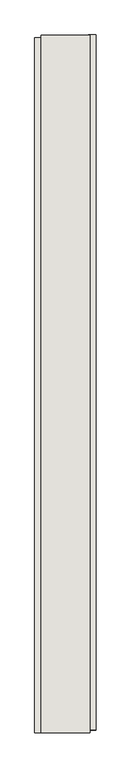
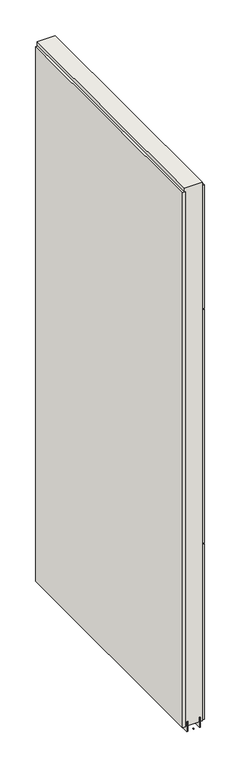
"""IFC4 building model written with IfcOpenShell, lengths in millimetres: wall geometry."""

from ifc_helpers import new_model, si_unit, frame, origin, place, context, project, spatial, polyline, outline, extrude, source, transform, mapped, element, save


def wall_5a473254(model_context):
    return source(origin(), model_context, "Body", "SweptSolid", [
        extrude(outline(polyline([(45724.482211, -56933.6671586), (45724.482211, -56936.2071586), (45721.942211, -56936.2071586), (45721.942211, -56933.6671586), (45724.482211, -56933.6671586)])), frame((0.0, 0.0, 4419.6), z_axis=(0.0, 0.0, 1.0), x_axis=(1.0, 0.0, 0.0)), (0.0, 0.0, 1.0), 2.54),
        extrude(outline(polyline([(45672.412211, -56936.6739852), (45672.412211, -55788.7740712), (45685.112211, -55788.7740712), (45685.112211, -56936.6739852), (45672.412211, -56936.6739852)])), frame((0.0, 0.0, 4445.0), z_axis=(0.0, 0.0, 1.0), x_axis=(1.0, 0.0, 0.0)), (0.0, 0.0, 1.0), 2545.0498756),
        extrude(outline(polyline([(45774.012211, -55783.8441344), (45774.012211, -56931.7440484), (45761.312211, -56931.7440484), (45761.312211, -55783.8441344), (45774.012211, -55783.8441344)])), frame((0.0, 0.0, 6402.8000722), z_axis=(0.0, 0.0, 1.0), x_axis=(1.0, 0.0, 0.0)), (0.0, 0.0, 1.0), 587.2498034),
        extrude(outline(polyline([(45774.012211, -55783.8441344), (45774.012211, -56931.7440484), (45761.312211, -56931.7440484), (45761.312211, -55783.8441344), (45774.012211, -55783.8441344)])), frame((0.0, 0.0, 5285.2000722), z_axis=(0.0, 0.0, 1.0), x_axis=(1.0, 0.0, 0.0)), (0.0, 0.0, 1.0), 1113.5999572),
        extrude(outline(polyline([(45774.012211, -55783.8441344), (45774.012211, -56931.7440484), (45761.312211, -56931.7440484), (45761.312211, -55783.8441344), (45774.012211, -55783.8441344)])), frame((0.0, 0.0, 4445.0), z_axis=(0.0, 0.0, 1.0), x_axis=(1.0, 0.0, 0.0)), (0.0, 0.0, 1.0), 836.200004),
        extrude(outline(polyline([(45698.1315652, -55784.315914), (45698.1315652, -56936.2084032), (45693.049711, -56936.2084032), (45693.049711, -55784.315914), (45698.1315652, -55784.315914)])), frame((0.0, 0.0, 4418.6602), z_axis=(0.0, 0.0, 1.0), x_axis=(1.0, 0.0, 0.0)), (0.0, 0.0, 1.0), 47.625),
        extrude(outline(polyline([(45698.1315652, -55784.315914), (45698.1315652, -56936.2084032), (45693.049711, -56936.2084032), (45693.049711, -55784.315914), (45698.1315652, -55784.315914)])), frame((0.0, 0.0, 4418.6602), z_axis=(0.0, 0.0, 1.0), x_axis=(1.0, 0.0, 0.0)), (0.0, 0.0, 1.0), 47.625),
        extrude(outline(polyline([(45748.2959556, -56936.2084032), (45748.2959556, -55784.315914), (45753.374711, -55784.315914), (45753.374711, -56936.2084032), (45748.2959556, -56936.2084032)])), frame((0.0, 0.0, 4418.6602), z_axis=(0.0, 0.0, 1.0), x_axis=(1.0, 0.0, 0.0)), (0.0, 0.0, 1.0), 47.625),
        extrude(outline(polyline([(45748.2959556, -56936.2084032), (45748.2959556, -55784.315914), (45753.374711, -55784.315914), (45753.374711, -56936.2084032), (45748.2959556, -56936.2084032)])), frame((0.0, 0.0, 4418.6602), z_axis=(0.0, 0.0, 1.0), x_axis=(1.0, 0.0, 0.0)), (0.0, 0.0, 1.0), 47.625),
        extrude(outline(polyline([(45682.5604254, -55784.2911236), (45763.8391808, -55784.2911236), (45763.8391808, -56936.2084032), (45682.5604254, -56936.2084032), (45682.5604254, -55784.2911236)])), frame((0.0, 0.0, 4445.0), z_axis=(0.0, 0.0, 1.0), x_axis=(1.0, 0.0, 0.0)), (0.0, 0.0, 1.0), 2562.4536762),
    ])


if __name__ == "__main__":
    model = new_model("IFC4")
    model_context = context("Model", 3, world=origin())
    ifc_project = project(units=[si_unit("LENGTHUNIT", "METRE", prefix="MILLI")], contexts=[model_context])
    site = spatial("IfcSite", under=ifc_project)
    building = spatial("IfcBuilding", under=site)
    placement = place(None, origin())
    wall_shape = wall_5a473254(model_context)
    element("IfcWall", 1, at=placement, inside=building, context=model_context, shape_type="MappedRepresentation", body=[
        mapped(wall_shape, transform((0.0, 0.0, 0.0), x_axis=(1.0, 0.0, 0.0), y_axis=(0.0, 1.0, 0.0), z_axis=(0.0, 0.0, 1.0))),
    ])
    save(model, "model.ifc")
